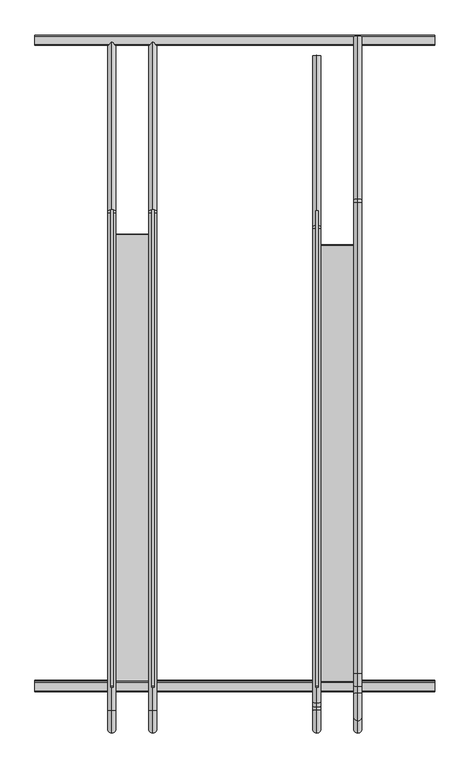
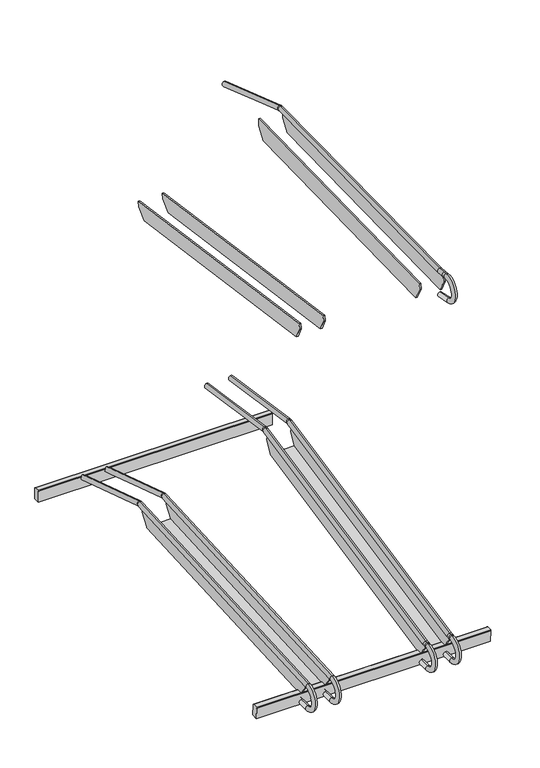
"""IFC4 building model written with IfcOpenShell, lengths in millimetres: proxy geometry."""

from ifc_helpers import new_model, si_unit, point, frame, frame_2d, origin, place, context, project, spatial, polyline, circle_curve, ellipse_curve, trimmed, segment, composite_curve, outline, extrude, faceted_brep, source, transform, mapped, element, save
from ifc_brep_helpers import plane_surface, cylinder_surface, revolved_surface, advanced_brep


def parking_aa778e47(model_context):
    return source(origin(), model_context, "Body", "SolidModel", [
        faceted_brep([(-437.085582, 221.7803069, 120.6228524), (-437.085582, 220.8092216, 136.8031355), (-437.085582, -715.6649161, 86.2652952), (-437.085582, -715.6649161, 69.7625833), (-437.085582, -689.6030024, 36.404855), (-437.085582, 196.7109185, 84.235745), (-442.2050429, 221.7803069, 120.6228524), (-442.2050429, 196.7109185, 84.235745), (-442.2050429, 196.8321504, 81.9892981), (-442.2050429, -689.3392948, 34.166097), (-442.2050429, -689.4605268, 36.4125439), (-442.2050429, -715.6649161, 69.7625833), (-442.2050429, -715.6649161, 86.2652952), (-442.2050429, 220.8092216, 136.8031355), (-362.2050429, 221.7803069, 120.6228524), (-362.2050429, 196.7109185, 84.235745), (-362.2050429, -689.6030024, 36.404855), (-362.2050429, -715.6649161, 69.7625833), (-362.2050429, -715.6649161, 86.2652952), (-362.2050429, 220.8092216, 136.8031355), (-357.085582, 221.7803069, 120.6228524), (-357.085582, 220.8092216, 136.8031355), (-357.085582, -715.6649161, 86.2652952), (-357.085582, -715.6649161, 69.7625833), (-357.085582, -689.6030024, 36.404855), (-357.085582, -689.3392948, 34.166097), (-357.085582, 196.8321504, 81.9892981), (-357.085582, 196.7109185, 84.235745), (-400.0, 196.8321504, 81.9892981), (-400.0, 196.7109185, 84.235745)], [[[0, 1, 2, 3, 4, 5]], [[6, 7, 8, 9, 10, 11, 12, 13]], [[1, 0, 6, 13]], [[2, 1, 13, 12]], [[0, 5, 7, 6]], [[3, 2, 12, 11]], [[4, 3, 11, 10]], [[14, 15, 16, 17, 18, 19]], [[20, 21, 22, 23, 24, 25, 26, 27]], [[14, 19, 21, 20]], [[19, 18, 22, 21]], [[15, 14, 20, 27]], [[17, 16, 24, 23]], [[18, 17, 23, 22]], [[26, 25, 9, 8, 28]], [[29, 5, 4, 16, 15]], [[9, 25, 24, 16, 4, 10]], [[28, 8, 7, 5, 29]], [[26, 28, 29, 15, 27]]]),
        faceted_brep([(-37.4402695, 194.6285646, 254.5534893), (-37.4402695, 190.4667843, 274.1331264), (-37.4402695, -715.6649161, 87.2333263), (-37.4402695, -715.6649161, 69.7625833), (-37.4402695, -689.6341335, 36.4447009), (-37.4402695, -689.4527585, 36.4821115), (-37.4402695, 175.2582347, 214.8384274), (-42.5597305, 194.6285646, 254.5534893), (-42.5597305, 175.2582347, 214.8384274), (-42.5597305, 175.7126971, 212.6350926), (-42.5597305, -688.998296, 34.2787767), (-42.5597305, -689.4527585, 36.4821115), (-42.5597305, -689.6341335, 36.4447009), (-42.5597305, -715.6649161, 69.7625833), (-42.5597305, -715.6649161, 87.2333263), (-42.5597305, 190.4667843, 274.1331264), (37.4402695, 194.6285646, 254.5534893), (37.4402695, 175.2582347, 214.8384274), (37.4402695, -689.4527585, 36.4821115), (37.4402695, -689.6341335, 36.4447009), (37.4402695, -715.6649161, 69.7625833), (37.4402695, -715.6649161, 87.2333263), (37.4402695, 190.4667843, 274.1331264), (42.5597305, 194.6285646, 254.5534893), (42.5597305, 190.4667843, 274.1331264), (42.5597305, -715.6649161, 87.2333263), (42.5597305, -715.6649161, 69.7625833), (42.5597305, -689.6341335, 36.4447009), (42.5597305, -689.4527585, 36.4821115), (42.5597305, -688.998296, 34.2787767), (42.5597305, 175.7126971, 212.6350926), (42.5597305, 175.2582347, 214.8384274), (-0.3546876, 175.7126971, 212.6350926), (-0.3546876, 175.2582347, 214.8384274)], [[[0, 1, 2, 3, 4, 5, 6]], [[7, 8, 9, 10, 11, 12, 13, 14, 15]], [[1, 0, 7, 15]], [[2, 1, 15, 14]], [[3, 2, 14, 13]], [[4, 3, 13, 12]], [[4, 12, 11, 5]], [[0, 6, 8, 7]], [[16, 17, 18, 19, 20, 21, 22]], [[23, 24, 25, 26, 27, 28, 29, 30, 31]], [[16, 22, 24, 23]], [[22, 21, 25, 24]], [[21, 20, 26, 25]], [[20, 19, 27, 26]], [[27, 19, 18, 28]], [[17, 16, 23, 31]], [[30, 29, 10, 9, 32]], [[33, 6, 5, 18, 17]], [[10, 29, 28, 18, 5, 11]], [[32, 9, 8, 6, 33]], [[30, 32, 33, 17, 31]]]),
        extrude(outline(composite_curve([segment(polyline([(585.0629187, 0.0), (565.0629187, 0.0), (565.0629187, 38.0)]), True, "CONTINUOUS"), segment(trimmed(circle_curve(frame_2d((567.0629187, 38.0)), 2.0), [point((565.0629187, 38.0))], [point((567.0629187, 40.0))], False, "CARTESIAN"), True, "CONTINUOUS"), segment(polyline([(567.0629187, 40.0), (583.0629187, 40.0)]), True, "CONTINUOUS"), segment(trimmed(circle_curve(frame_2d((583.0629187, 38.0)), 2.0), [point((583.0629187, 40.0))], [point((585.0629187, 38.0))], False, "CARTESIAN"), True, "CONTINUOUS"), segment(polyline([(585.0629187, 38.0), (585.0629187, 0.0)]), True, "CONTINUOUS")], self_intersect=False)), frame((-590.0, 0.0, 0.0), z_axis=(1.0, 0.0, 0.0), x_axis=(0.0, 1.0, 0.0)), (0.0, 0.0, 1.0), 780.0),
        extrude(outline(composite_curve([segment(polyline([(-673.2034861, 1.3951295), (-693.1547671, 0.0), (-695.8055131, 37.9074339)]), True, "CONTINUOUS"), segment(trimmed(circle_curve(frame_2d((-693.810385, 38.0469469)), 2.0), [point((-695.8055131, 37.9074339))], [point((-693.949898, 40.042075))], False, "CARTESIAN"), True, "CONTINUOUS"), segment(polyline([(-693.949898, 40.042075), (-677.9888732, 41.1581785)]), True, "CONTINUOUS"), segment(trimmed(circle_curve(frame_2d((-677.8493602, 39.1630504)), 2.0), [point((-677.9888732, 41.1581785))], [point((-675.8542321, 39.3025634))], False, "CARTESIAN"), True, "CONTINUOUS"), segment(polyline([(-675.8542321, 39.3025634), (-673.2034861, 1.3951295)]), True, "CONTINUOUS")], self_intersect=False)), frame((-590.0, 0.0, 0.0), z_axis=(1.0, 0.0, 0.0), x_axis=(0.0, 1.0, 0.0)), (0.0, 0.0, 1.0), 780.0),
        advanced_brep(
        [(40.0000067, 545.1160698, 237.5190174), (40.0000067, 542.7546404, 221.6369419), (40.0000067, 213.7587528, 286.7869426), (40.0000067, 211.3973234, 270.9048671), (40.0000067, 209.9234726, 270.8642514), (40.0000067, 206.6909494, 286.5921713), (40.0000067, -717.4596061, 96.6536338), (40.0000067, -714.2270829, 80.9257139), (40.0000067, -678.7366907, 0.6872981), (40.0000067, -678.7366907, 16.7439687), (40.0000067, -729.4794847, 16.7439687), (40.0000067, -729.4794847, 0.6872981), (40.0000067, -731.1691463, 79.2548333), (40.0000067, -732.0365326, 95.2880586), (40.0000067, -724.2865985, 79.6271743), (40.0000067, -725.1539848, 95.6603996)],
        [
            (0, 1, circle_curve(frame((40.0000067, 543.9353551, 229.5779796), z_axis=(0.0, 0.9891263194603436, -0.14706843356354454), x_axis=(0.0, -0.14706843356354452, -0.9891263194603434)), 8.0283353)),
            (1, 0, circle_curve(frame((40.0000067, 543.9353551, 229.5779796), z_axis=(0.0, 0.9891263194603436, -0.14706843356354454), x_axis=(0.0, -0.14706843356354452, -0.9891263194603434)), 8.0283353)),
            (0, 2),
            (2, 3, circle_curve(frame((40.0000067, 212.5780381, 278.8459049), z_axis=(0.0, 0.9891263194603436, -0.14706843356354454), x_axis=(0.0, -0.14706843356354452, -0.9891263194603434)), 8.0283353)),
            (3, 1),
            (3, 2, circle_curve(frame((40.0000067, 212.5780381, 278.8459049), z_axis=(0.0, 0.9891263194603436, -0.14706843356354454), x_axis=(0.0, -0.14706843356354452, -0.9891263194603434)), 8.0283353)),
            (4, 5, circle_curve(frame((40.0000067, 208.307211, 278.7282114), z_axis=(0.0, -0.9795256001404008, -0.20131964302965505), x_axis=(0.0, 0.20131964302965505, -0.9795256001404008)), 8.0283353)),
            (5, 6),
            (6, 7, circle_curve(frame((40.0000067, -715.8433445, 88.7896739), z_axis=(0.0, 0.9795256001404008, 0.20131964302965505), x_axis=(0.0, 0.20131964302965505, -0.9795256001404008)), 8.0283353)),
            (7, 4),
            (5, 4, circle_curve(frame((40.0000067, 208.307211, 278.7282114), z_axis=(0.0, -0.9795256001404008, -0.20131964302965505), x_axis=(0.0, 0.20131964302965505, -0.9795256001404008)), 8.0283353)),
            (7, 6, circle_curve(frame((40.0000067, -715.8433445, 88.7896739), z_axis=(0.0, 0.9795256001404008, 0.20131964302965505), x_axis=(0.0, 0.20131964302965505, -0.9795256001404008)), 8.0283353)),
            (8, 9, circle_curve(frame((40.0000067, -678.7366907, 8.7156334), z_axis=(0.0, 1.0, 0.0), x_axis=(0.0, 0.0, 1.0)), 8.0283353)),
            (9, 8, circle_curve(frame((40.0000067, -678.7366907, 8.7156334), z_axis=(0.0, 1.0, 0.0), x_axis=(0.0, 0.0, 1.0)), 8.0283353)),
            (10, 11, circle_curve(frame((40.0000067, -729.4794847, 8.7156334), z_axis=(0.0, 1.0, 0.0), x_axis=(0.0, 0.0, 1.0)), 8.0283353)),
            (11, 8),
            (9, 10),
            (11, 10, circle_curve(frame((40.0000067, -729.4794847, 8.7156334), z_axis=(0.0, 1.0, 0.0), x_axis=(0.0, 0.0, 1.0)), 8.0283353)),
            (10, 12, circle_curve(frame((40.0000067, -729.4794847, 48.0222367), z_axis=(-1.0, 0.0, 0.0), x_axis=(0.0, -0.0540203076964374, 0.9985398371404028)), 31.278268)),
            (12, 13, circle_curve(frame((40.0000067, -731.6028395, 87.2714459), z_axis=(0.0, -0.9985398371404028, -0.05402030769643744), x_axis=(0.0, 0.05402030769643744, -0.9985398371404028)), 8.0283353)),
            (13, 11, circle_curve(frame((40.0000067, -729.4794847, 48.0222367), z_axis=(1.0, 0.0, 0.0), x_axis=(0.0, -0.0540203076964374, 0.9985398371404028)), 47.3349386)),
            (13, 12, circle_curve(frame((40.0000067, -731.6028395, 87.2714459), z_axis=(0.0, -0.9985398371404028, -0.05402030769643744), x_axis=(0.0, 0.05402030769643744, -0.9985398371404028)), 8.0283353)),
            (4, 3, circle_curve(frame((40.0000067, 210.7751525, 266.7203823), z_axis=(-1.0, 0.0, 0.0), x_axis=(0.0, 0.14706843356353932, 0.9891263194603441)), 4.2304857)),
            (2, 5, circle_curve(frame((40.0000067, 210.7751525, 266.7203823), z_axis=(1.0, 0.0, 0.0), x_axis=(0.0, 0.14706843356353932, 0.9891263194603441)), 20.2871563)),
            (14, 7, circle_curve(frame((40.0000067, -727.9758082, 147.82047), z_axis=(1.0, 0.0, 0.0), x_axis=(0.0, 0.2013196430296586, -0.9795256001404)), 68.2930146)),
            (6, 15, circle_curve(frame((40.0000067, -727.9758082, 147.82047), z_axis=(-1.0, 0.0, 0.0), x_axis=(0.0, 0.2013196430296586, -0.9795256001404)), 52.236344)),
            (15, 14, circle_curve(frame((40.0000067, -724.7202917, 87.643787), z_axis=(0.0, 0.9985398371404027, 0.05402030769643995), x_axis=(0.0, 0.05402030769643995, -0.9985398371404027)), 8.0283353)),
            (14, 15, circle_curve(frame((40.0000067, -724.7202917, 87.643787), z_axis=(0.0, 0.9985398371404026, 0.054020307696442255), x_axis=(0.0, 0.054020307696442255, -0.9985398371404026)), 8.0283353)),
            (15, 13),
            (12, 14),
        ],
        [
            plane_surface(frame((480.0000067, 543.9353551, 229.5779796), z_axis=(0.0, 0.9891263194603435, -0.1470684335635446), x_axis=(1.0, 0.0, 0.0))),
            cylinder_surface(frame((40.0000067, 543.9353551, 229.5779796), z_axis=(0.0, 0.9891263194603434, -0.14706843356354452), x_axis=(0.0, -0.14706843356354452, -0.9891263194603434)), 8.0283353),
            cylinder_surface(frame((40.0000067, 208.307211, 278.7282114), z_axis=(0.0, 0.9795256001404008, 0.20131964302965505), x_axis=(0.0, 0.20131964302965505, -0.9795256001404008)), 8.0283353),
            plane_surface(frame((480.0000067, -678.7366907, 8.7156334), z_axis=(0.0, 1.0, 0.0), x_axis=(1.0, 0.0, 0.0))),
            cylinder_surface(frame((40.0000067, -729.4794847, 8.7156334), z_axis=(0.0, -1.0, 0.0), x_axis=(0.0, 0.0, 1.0)), 8.0283353),
            revolved_surface(trimmed(ellipse_curve(frame((40.0000067, -731.6028395, 87.2714459), z_axis=(0.0, 0.9985398371404028, 0.05402030769643744), x_axis=(0.0, 0.05402030769643744, -0.9985398371404028)), 8.0283353, 8.0283353), [point((40.0000067, -732.0365326, 95.2880586))], [point((40.0000067, -731.1691463, 79.2548333))], True, "CARTESIAN"), (480.0000067, -729.4794847, 48.0222367), (1.0, 0.0, 0.0)),
            revolved_surface(trimmed(ellipse_curve(frame((40.0000067, -731.6028395, 87.2714459), z_axis=(0.0, 0.9985398371404028, 0.05402030769643744), x_axis=(0.0, 0.05402030769643744, -0.9985398371404028)), 8.0283353, 8.0283353), [point((40.0000067, -731.1691463, 79.2548333))], [point((40.0000067, -732.0365326, 95.2880586))], True, "CARTESIAN"), (480.0000067, -729.4794847, 48.0222367), (1.0, 0.0, 0.0)),
            revolved_surface(trimmed(ellipse_curve(frame((40.0000067, 212.5780381, 278.8459049), z_axis=(0.0, 0.9891263194603441, -0.14706843356353924), x_axis=(0.0, -0.14706843356353924, -0.9891263194603441)), 8.0283353, 8.0283353), [point((40.0000067, 213.7587528, 286.7869426))], [point((40.0000067, 211.3973234, 270.9048671))], True, "CARTESIAN"), (480.0000067, 210.7751525, 266.7203823), (1.0, 0.0, 0.0)),
            revolved_surface(trimmed(ellipse_curve(frame((40.0000067, 212.5780381, 278.8459049), z_axis=(0.0, 0.9891263194603441, -0.14706843356353924), x_axis=(0.0, -0.14706843356353924, -0.9891263194603441)), 8.0283353, 8.0283353), [point((40.0000067, 211.3973234, 270.9048671))], [point((40.0000067, 213.7587528, 286.7869426))], True, "CARTESIAN"), (480.0000067, 210.7751525, 266.7203823), (1.0, 0.0, 0.0)),
            revolved_surface(trimmed(ellipse_curve(frame((40.0000067, -715.8433445, 88.7896739), z_axis=(0.0, 0.9795256001404, 0.20131964302965866), x_axis=(0.0, 0.20131964302965866, -0.9795256001404)), 8.0283353, 8.0283353), [point((40.0000067, -717.4596061, 96.6536338))], [point((40.0000067, -714.2270829, 80.9257139))], True, "CARTESIAN"), (480.0000067, -727.9758082, 147.82047), (-1.0, 0.0, 0.0)),
            revolved_surface(trimmed(ellipse_curve(frame((40.0000067, -715.8433445, 88.7896739), z_axis=(0.0, 0.9795256001404, 0.20131964302965866), x_axis=(0.0, 0.20131964302965866, -0.9795256001404)), 8.0283353, 8.0283353), [point((40.0000067, -714.2270829, 80.9257139))], [point((40.0000067, -717.4596061, 96.6536338))], True, "CARTESIAN"), (480.0000067, -727.9758082, 147.82047), (-1.0, 0.0, 0.0)),
            cylinder_surface(frame((40.0000067, -724.7202917, 87.643787), z_axis=(0.0, 0.9985398371404028, 0.05402030769644006), x_axis=(0.0, 0.05402030769644006, -0.9985398371404028)), 8.0283353),
        ],
        [
            (0, [[1, 2]]),
            (1, [[-1, 3, 4, 5]]),
            (1, [[-2, -5, 6, -3]]),
            (2, [[7, 8, 9, 10]]),
            (2, [[11, -10, 12, -8]]),
            (3, [[13, 14]]),
            (4, [[15, 16, -14, 17]]),
            (4, [[18, -17, -13, -16]]),
            (5, [[19, 20, 21, -15]]),
            (6, [[-21, 22, -19, -18]]),
            (7, [[23, -4, 24, -7]]),
            (8, [[-24, -6, -23, -11]]),
            (9, [[25, -9, 26, 27]]),
            (10, [[-26, -12, -25, 28]]),
            (11, [[-27, 29, -20, 30]]),
            (11, [[-28, -30, -22, -29]]),
        ],
    ),
        advanced_brep(
        [(-39.9999933, 545.1160698, 237.5190174), (-39.9999933, 542.7546404, 221.6369419), (-39.9999933, 213.7587528, 286.7869426), (-39.9999933, 211.3973234, 270.9048671), (-39.9999933, 209.9234726, 270.8642514), (-39.9999933, 206.6909494, 286.5921713), (-39.9999933, -717.4596061, 96.6536338), (-39.9999933, -714.2270829, 80.9257139), (-39.9999933, -678.7366907, 0.6872981), (-39.9999933, -678.7366907, 16.7439687), (-39.9999933, -729.4794847, 16.7439687), (-39.9999933, -729.4794847, 0.6872981), (-39.9999933, -731.1691463, 79.2548333), (-39.9999933, -732.0365326, 95.2880586), (-39.9999933, -724.2865985, 79.6271743), (-39.9999933, -725.1539848, 95.6603996)],
        [
            (0, 1, circle_curve(frame((-39.9999933, 543.9353551, 229.5779796), z_axis=(0.0, 0.9891263194603436, -0.14706843356354454), x_axis=(0.0, -0.14706843356354452, -0.9891263194603434)), 8.0283353)),
            (1, 0, circle_curve(frame((-39.9999933, 543.9353551, 229.5779796), z_axis=(0.0, 0.9891263194603436, -0.14706843356354454), x_axis=(0.0, -0.14706843356354452, -0.9891263194603434)), 8.0283353)),
            (0, 2),
            (2, 3, circle_curve(frame((-39.9999933, 212.5780381, 278.8459049), z_axis=(0.0, 0.9891263194603436, -0.14706843356354454), x_axis=(0.0, -0.14706843356354452, -0.9891263194603434)), 8.0283353)),
            (3, 1),
            (3, 2, circle_curve(frame((-39.9999933, 212.5780381, 278.8459049), z_axis=(0.0, 0.9891263194603436, -0.14706843356354454), x_axis=(0.0, -0.14706843356354452, -0.9891263194603434)), 8.0283353)),
            (4, 5, circle_curve(frame((-39.9999933, 208.307211, 278.7282114), z_axis=(0.0, -0.9795256001404008, -0.20131964302965505), x_axis=(0.0, 0.20131964302965505, -0.9795256001404008)), 8.0283353)),
            (5, 6),
            (6, 7, circle_curve(frame((-39.9999933, -715.8433445, 88.7896739), z_axis=(0.0, 0.9795256001404008, 0.20131964302965505), x_axis=(0.0, 0.20131964302965505, -0.9795256001404008)), 8.0283353)),
            (7, 4),
            (5, 4, circle_curve(frame((-39.9999933, 208.307211, 278.7282114), z_axis=(0.0, -0.9795256001404008, -0.20131964302965505), x_axis=(0.0, 0.20131964302965505, -0.9795256001404008)), 8.0283353)),
            (7, 6, circle_curve(frame((-39.9999933, -715.8433445, 88.7896739), z_axis=(0.0, 0.9795256001404008, 0.20131964302965505), x_axis=(0.0, 0.20131964302965505, -0.9795256001404008)), 8.0283353)),
            (8, 9, circle_curve(frame((-39.9999933, -678.7366907, 8.7156334), z_axis=(0.0, 1.0, 0.0), x_axis=(0.0, 0.0, 1.0)), 8.0283353)),
            (9, 8, circle_curve(frame((-39.9999933, -678.7366907, 8.7156334), z_axis=(0.0, 1.0, 0.0), x_axis=(0.0, 0.0, 1.0)), 8.0283353)),
            (10, 11, circle_curve(frame((-39.9999933, -729.4794847, 8.7156334), z_axis=(0.0, 1.0, 0.0), x_axis=(0.0, 0.0, 1.0)), 8.0283353)),
            (11, 8),
            (9, 10),
            (11, 10, circle_curve(frame((-39.9999933, -729.4794847, 8.7156334), z_axis=(0.0, 1.0, 0.0), x_axis=(0.0, 0.0, 1.0)), 8.0283353)),
            (10, 12, circle_curve(frame((-39.9999933, -729.4794847, 48.0222367), z_axis=(-1.0, 0.0, 0.0), x_axis=(0.0, -0.05402030769644095, 0.9985398371404026)), 31.278268)),
            (12, 13, circle_curve(frame((-39.9999933, -731.6028395, 87.2714459), z_axis=(0.0, -0.9985398371404026, -0.05402030769644099), x_axis=(0.0, 0.05402030769644099, -0.9985398371404026)), 8.0283353)),
            (13, 11, circle_curve(frame((-39.9999933, -729.4794847, 48.0222367), z_axis=(1.0, 0.0, 0.0), x_axis=(0.0, -0.05402030769644095, 0.9985398371404026)), 47.3349386)),
            (13, 12, circle_curve(frame((-39.9999933, -731.6028395, 87.2714459), z_axis=(0.0, -0.9985398371404026, -0.05402030769644099), x_axis=(0.0, 0.05402030769644099, -0.9985398371404026)), 8.0283353)),
            (4, 3, circle_curve(frame((-39.9999933, 210.7751525, 266.7203823), z_axis=(-1.0, 0.0, 0.0), x_axis=(0.0, 0.14706843356353932, 0.9891263194603441)), 4.2304857)),
            (2, 5, circle_curve(frame((-39.9999933, 210.7751525, 266.7203823), z_axis=(1.0, 0.0, 0.0), x_axis=(0.0, 0.14706843356353932, 0.9891263194603441)), 20.2871563)),
            (14, 7, circle_curve(frame((-39.9999933, -727.9758082, 147.82047), z_axis=(1.0, 0.0, 0.0), x_axis=(0.0, 0.2013196430296586, -0.9795256001404)), 68.2930146)),
            (6, 15, circle_curve(frame((-39.9999933, -727.9758082, 147.82047), z_axis=(-1.0, 0.0, 0.0), x_axis=(0.0, 0.2013196430296586, -0.9795256001404)), 52.236344)),
            (15, 14, circle_curve(frame((-39.9999933, -724.7202917, 87.643787), z_axis=(0.0, 0.9985398371404027, 0.054020307696440395), x_axis=(0.0, 0.054020307696440395, -0.9985398371404027)), 8.0283353)),
            (14, 15, circle_curve(frame((-39.9999933, -724.7202917, 87.643787), z_axis=(0.0, 0.9985398371404026, 0.054020307696442615), x_axis=(0.0, 0.054020307696442615, -0.9985398371404026)), 8.0283353)),
            (15, 13),
            (12, 14),
        ],
        [
            plane_surface(frame((0.0, 543.9353551, 229.5779796), z_axis=(0.0, 0.9891263194603435, -0.1470684335635446), x_axis=(1.0, 0.0, 0.0))),
            cylinder_surface(frame((-39.9999933, 543.9353551, 229.5779796), z_axis=(0.0, 0.9891263194603434, -0.14706843356354452), x_axis=(0.0, -0.14706843356354452, -0.9891263194603434)), 8.0283353),
            cylinder_surface(frame((-39.9999933, 208.307211, 278.7282114), z_axis=(0.0, 0.9795256001404008, 0.20131964302965505), x_axis=(0.0, 0.20131964302965505, -0.9795256001404008)), 8.0283353),
            plane_surface(frame((0.0, -678.7366907, 8.7156334), z_axis=(0.0, 1.0, 0.0), x_axis=(1.0, 0.0, 0.0))),
            cylinder_surface(frame((-39.9999933, -729.4794847, 8.7156334), z_axis=(0.0, -1.0, 0.0), x_axis=(0.0, 0.0, 1.0)), 8.0283353),
            revolved_surface(trimmed(ellipse_curve(frame((-39.9999933, -731.6028395, 87.2714459), z_axis=(0.0, 0.9985398371404026, 0.05402030769644099), x_axis=(0.0, 0.05402030769644099, -0.9985398371404026)), 8.0283353, 8.0283353), [point((-39.9999933, -732.0365326, 95.2880586))], [point((-39.9999933, -731.1691463, 79.2548333))], True, "CARTESIAN"), (0.0, -729.4794847, 48.0222367), (1.0, 0.0, 0.0)),
            revolved_surface(trimmed(ellipse_curve(frame((-39.9999933, -731.6028395, 87.2714459), z_axis=(0.0, 0.9985398371404026, 0.05402030769644099), x_axis=(0.0, 0.05402030769644099, -0.9985398371404026)), 8.0283353, 8.0283353), [point((-39.9999933, -731.1691463, 79.2548333))], [point((-39.9999933, -732.0365326, 95.2880586))], True, "CARTESIAN"), (0.0, -729.4794847, 48.0222367), (1.0, 0.0, 0.0)),
            revolved_surface(trimmed(ellipse_curve(frame((-39.9999933, 212.5780381, 278.8459049), z_axis=(0.0, 0.9891263194603441, -0.14706843356353924), x_axis=(0.0, -0.14706843356353924, -0.9891263194603441)), 8.0283353, 8.0283353), [point((-39.9999933, 213.7587528, 286.7869426))], [point((-39.9999933, 211.3973234, 270.9048671))], True, "CARTESIAN"), (0.0, 210.7751525, 266.7203823), (1.0, 0.0, 0.0)),
            revolved_surface(trimmed(ellipse_curve(frame((-39.9999933, 212.5780381, 278.8459049), z_axis=(0.0, 0.9891263194603441, -0.14706843356353924), x_axis=(0.0, -0.14706843356353924, -0.9891263194603441)), 8.0283353, 8.0283353), [point((-39.9999933, 211.3973234, 270.9048671))], [point((-39.9999933, 213.7587528, 286.7869426))], True, "CARTESIAN"), (0.0, 210.7751525, 266.7203823), (1.0, 0.0, 0.0)),
            revolved_surface(trimmed(ellipse_curve(frame((-39.9999933, -715.8433445, 88.7896739), z_axis=(0.0, 0.9795256001404, 0.20131964302965866), x_axis=(0.0, 0.20131964302965866, -0.9795256001404)), 8.0283353, 8.0283353), [point((-39.9999933, -717.4596061, 96.6536338))], [point((-39.9999933, -714.2270829, 80.9257139))], True, "CARTESIAN"), (0.0, -727.9758082, 147.82047), (-1.0, 0.0, 0.0)),
            revolved_surface(trimmed(ellipse_curve(frame((-39.9999933, -715.8433445, 88.7896739), z_axis=(0.0, 0.9795256001404, 0.20131964302965866), x_axis=(0.0, 0.20131964302965866, -0.9795256001404)), 8.0283353, 8.0283353), [point((-39.9999933, -714.2270829, 80.9257139))], [point((-39.9999933, -717.4596061, 96.6536338))], True, "CARTESIAN"), (0.0, -727.9758082, 147.82047), (-1.0, 0.0, 0.0)),
            cylinder_surface(frame((-39.9999933, -724.7202917, 87.643787), z_axis=(0.0, 0.9985398371404028, 0.05402030769644006), x_axis=(0.0, 0.05402030769644006, -0.9985398371404028)), 8.0283353),
        ],
        [
            (0, [[1, 2]]),
            (1, [[-1, 3, 4, 5]]),
            (1, [[-2, -5, 6, -3]]),
            (2, [[7, 8, 9, 10]]),
            (2, [[11, -10, 12, -8]]),
            (3, [[13, 14]]),
            (4, [[15, 16, -14, 17]]),
            (4, [[18, -17, -13, -16]]),
            (5, [[19, 20, 21, -15]]),
            (6, [[-21, 22, -19, -18]]),
            (7, [[23, -4, 24, -7]]),
            (8, [[-24, -6, -23, -11]]),
            (9, [[25, -9, 26, 27]]),
            (10, [[-26, -12, -25, 28]]),
            (11, [[-27, 29, -20, 30]]),
            (11, [[-28, -30, -22, -29]]),
        ],
    ),
        advanced_brep(
        [(-360.0, 575.1849932, 39.3147549), (-360.0, 570.2232092, 24.0439537), (-360.0, 244.335793, 146.8141765), (-360.0, 239.3740089, 131.5433753), (-360.0, 238.1994719, 131.6969984), (-360.0, 237.3320857, 147.7302237), (-360.0, -732.0365326, 95.2880586), (-360.0, -731.1691463, 79.2548333), (-360.0, -678.7366907, 0.6872981), (-360.0, -678.7366907, 16.7439687), (-360.0, -729.4794847, 16.7439687), (-360.0, -729.4794847, 0.6872981)],
        [
            (0, 1, circle_curve(frame((-360.0, 572.7041012, 31.6793543), z_axis=(0.0, 0.9510565162951528, -0.3090169943749501), x_axis=(0.0, -0.3090169943749501, -0.9510565162951528)), 8.0283353)),
            (1, 0, circle_curve(frame((-360.0, 572.7041012, 31.6793543), z_axis=(0.0, 0.9510565162951528, -0.3090169943749501), x_axis=(0.0, -0.3090169943749501, -0.9510565162951528)), 8.0283353)),
            (0, 2),
            (2, 3, circle_curve(frame((-360.0, 241.854901, 139.1787759), z_axis=(0.0, 0.9510565162951528, -0.3090169943749501), x_axis=(0.0, -0.3090169943749501, -0.9510565162951528)), 8.0283353)),
            (3, 1),
            (3, 2, circle_curve(frame((-360.0, 241.854901, 139.1787759), z_axis=(0.0, 0.9510565162951528, -0.3090169943749501), x_axis=(0.0, -0.3090169943749501, -0.9510565162951528)), 8.0283353)),
            (4, 5, circle_curve(frame((-360.0, 237.7657788, 139.7136111), z_axis=(0.0, -0.9985398371404031, -0.054020307696434455), x_axis=(0.0, 0.054020307696434455, -0.9985398371404031)), 8.0283353)),
            (5, 6),
            (6, 7, circle_curve(frame((-360.0, -731.6028395, 87.2714459), z_axis=(0.0, 0.9985398371404031, 0.054020307696434455), x_axis=(0.0, 0.054020307696434455, -0.9985398371404031)), 8.0283353)),
            (7, 4),
            (5, 4, circle_curve(frame((-360.0, 237.7657788, 139.7136111), z_axis=(0.0, -0.9985398371404031, -0.054020307696434455), x_axis=(0.0, 0.054020307696434455, -0.9985398371404031)), 8.0283353)),
            (7, 6, circle_curve(frame((-360.0, -731.6028395, 87.2714459), z_axis=(0.0, 0.9985398371404031, 0.054020307696434455), x_axis=(0.0, 0.054020307696434455, -0.9985398371404031)), 8.0283353)),
            (8, 9, circle_curve(frame((-360.0, -678.7366907, 8.7156334), z_axis=(0.0, 1.0, 0.0), x_axis=(0.0, 0.0, 1.0)), 8.0283353)),
            (9, 8, circle_curve(frame((-360.0, -678.7366907, 8.7156334), z_axis=(0.0, 1.0, 0.0), x_axis=(0.0, 0.0, 1.0)), 8.0283353)),
            (10, 11, circle_curve(frame((-360.0, -729.4794847, 8.7156334), z_axis=(0.0, 1.0, 0.0), x_axis=(0.0, 0.0, 1.0)), 8.0283353)),
            (11, 8),
            (9, 10),
            (11, 10, circle_curve(frame((-360.0, -729.4794847, 8.7156334), z_axis=(0.0, 1.0, 0.0), x_axis=(0.0, 0.0, 1.0)), 8.0283353)),
            (10, 7, circle_curve(frame((-360.0, -729.4794847, 48.0222367), z_axis=(-1.0, 0.0, 0.0), x_axis=(0.0, -0.054020307696434074, 0.9985398371404031)), 31.278268)),
            (6, 11, circle_curve(frame((-360.0, -729.4794847, 48.0222367), z_axis=(1.0, 0.0, 0.0), x_axis=(0.0, -0.054020307696434074, 0.9985398371404031)), 47.3349386)),
            (4, 3, circle_curve(frame((-360.0, 238.3742442, 128.4664159), z_axis=(-1.0, 0.0, 0.0), x_axis=(0.0, 0.3090169943749422, 0.9510565162951553)), 3.2353066)),
            (2, 5, circle_curve(frame((-360.0, 238.3742442, 128.4664159), z_axis=(1.0, 0.0, 0.0), x_axis=(0.0, 0.3090169943749422, 0.9510565162951553)), 19.2919772)),
        ],
        [
            plane_surface(frame((80.0, 572.7041012, 31.6793543), z_axis=(0.0, 0.9510565162951528, -0.30901699437495006), x_axis=(1.0, 0.0, 0.0))),
            cylinder_surface(frame((-360.0, 572.7041012, 31.6793543), z_axis=(0.0, 0.9510565162951528, -0.3090169943749501), x_axis=(0.0, -0.3090169943749501, -0.9510565162951528)), 8.0283353),
            cylinder_surface(frame((-360.0, 237.7657788, 139.7136111), z_axis=(0.0, 0.9985398371404031, 0.054020307696434455), x_axis=(0.0, 0.054020307696434455, -0.9985398371404031)), 8.0283353),
            plane_surface(frame((80.0, -678.7366907, 8.7156334), z_axis=(0.0, 1.0, 0.0), x_axis=(1.0, 0.0, 0.0))),
            cylinder_surface(frame((-360.0, -729.4794847, 8.7156334), z_axis=(0.0, -1.0, 0.0), x_axis=(0.0, 0.0, 1.0)), 8.0283353),
            revolved_surface(trimmed(ellipse_curve(frame((-360.0, -731.6028395, 87.2714459), z_axis=(0.0, 0.9985398371404031, 0.05402030769643412), x_axis=(0.0, 0.05402030769643412, -0.9985398371404031)), 8.0283353, 8.0283353), [point((-360.0, -732.0365326, 95.2880586))], [point((-360.0, -731.1691463, 79.2548333))], True, "CARTESIAN"), (80.0, -729.4794847, 48.0222367), (1.0, 0.0, 0.0)),
            revolved_surface(trimmed(ellipse_curve(frame((-360.0, -731.6028395, 87.2714459), z_axis=(0.0, 0.9985398371404031, 0.05402030769643412), x_axis=(0.0, 0.05402030769643412, -0.9985398371404031)), 8.0283353, 8.0283353), [point((-360.0, -731.1691463, 79.2548333))], [point((-360.0, -732.0365326, 95.2880586))], True, "CARTESIAN"), (80.0, -729.4794847, 48.0222367), (1.0, 0.0, 0.0)),
            revolved_surface(trimmed(ellipse_curve(frame((-360.0, 241.854901, 139.1787759), z_axis=(0.0, 0.9510565162951553, -0.3090169943749421), x_axis=(0.0, -0.3090169943749421, -0.9510565162951553)), 8.0283353, 8.0283353), [point((-360.0, 244.335793, 146.8141765))], [point((-360.0, 239.3740089, 131.5433753))], True, "CARTESIAN"), (80.0, 238.3742442, 128.4664159), (1.0, 0.0, 0.0)),
            revolved_surface(trimmed(ellipse_curve(frame((-360.0, 241.854901, 139.1787759), z_axis=(0.0, 0.9510565162951553, -0.3090169943749421), x_axis=(0.0, -0.3090169943749421, -0.9510565162951553)), 8.0283353, 8.0283353), [point((-360.0, 239.3740089, 131.5433753))], [point((-360.0, 244.335793, 146.8141765))], True, "CARTESIAN"), (80.0, 238.3742442, 128.4664159), (1.0, 0.0, 0.0)),
        ],
        [
            (0, [[1, 2]]),
            (1, [[-1, 3, 4, 5]]),
            (1, [[-2, -5, 6, -3]]),
            (2, [[7, 8, 9, 10]]),
            (2, [[11, -10, 12, -8]]),
            (3, [[13, 14]]),
            (4, [[15, 16, -14, 17]]),
            (4, [[18, -17, -13, -16]]),
            (5, [[19, -9, 20, -15]]),
            (6, [[-20, -12, -19, -18]]),
            (7, [[21, -4, 22, -7]]),
            (8, [[-22, -6, -21, -11]]),
        ],
    ),
        advanced_brep(
        [(-440.0, 575.1849932, 39.3147549), (-440.0, 570.2232092, 24.0439537), (-440.0, 244.335793, 146.8141765), (-440.0, 239.3740089, 131.5433753), (-440.0, 238.1994719, 131.6969984), (-440.0, 237.3320857, 147.7302237), (-440.0, -732.0365326, 95.2880586), (-440.0, -731.1691463, 79.2548333), (-440.0, -678.7366907, 0.6872981), (-440.0, -678.7366907, 16.7439687), (-440.0, -729.4794847, 16.7439687), (-440.0, -729.4794847, 0.6872981)],
        [
            (0, 1, circle_curve(frame((-440.0, 572.7041012, 31.6793543), z_axis=(0.0, 0.9510565162951528, -0.3090169943749501), x_axis=(0.0, -0.3090169943749501, -0.9510565162951528)), 8.0283353)),
            (1, 0, circle_curve(frame((-440.0, 572.7041012, 31.6793543), z_axis=(0.0, 0.9510565162951528, -0.3090169943749501), x_axis=(0.0, -0.3090169943749501, -0.9510565162951528)), 8.0283353)),
            (0, 2),
            (2, 3, circle_curve(frame((-440.0, 241.854901, 139.1787759), z_axis=(0.0, 0.9510565162951528, -0.3090169943749501), x_axis=(0.0, -0.3090169943749501, -0.9510565162951528)), 8.0283353)),
            (3, 1),
            (3, 2, circle_curve(frame((-440.0, 241.854901, 139.1787759), z_axis=(0.0, 0.9510565162951528, -0.3090169943749501), x_axis=(0.0, -0.3090169943749501, -0.9510565162951528)), 8.0283353)),
            (4, 5, circle_curve(frame((-440.0, 237.7657788, 139.7136111), z_axis=(0.0, -0.9985398371404031, -0.054020307696434455), x_axis=(0.0, 0.054020307696434455, -0.9985398371404031)), 8.0283353)),
            (5, 6),
            (6, 7, circle_curve(frame((-440.0, -731.6028395, 87.2714459), z_axis=(0.0, 0.9985398371404031, 0.054020307696434455), x_axis=(0.0, 0.054020307696434455, -0.9985398371404031)), 8.0283353)),
            (7, 4),
            (5, 4, circle_curve(frame((-440.0, 237.7657788, 139.7136111), z_axis=(0.0, -0.9985398371404031, -0.054020307696434455), x_axis=(0.0, 0.054020307696434455, -0.9985398371404031)), 8.0283353)),
            (7, 6, circle_curve(frame((-440.0, -731.6028395, 87.2714459), z_axis=(0.0, 0.9985398371404031, 0.054020307696434455), x_axis=(0.0, 0.054020307696434455, -0.9985398371404031)), 8.0283353)),
            (8, 9, circle_curve(frame((-440.0, -678.7366907, 8.7156334), z_axis=(0.0, 1.0, 0.0), x_axis=(0.0, 0.0, 1.0)), 8.0283353)),
            (9, 8, circle_curve(frame((-440.0, -678.7366907, 8.7156334), z_axis=(0.0, 1.0, 0.0), x_axis=(0.0, 0.0, 1.0)), 8.0283353)),
            (10, 11, circle_curve(frame((-440.0, -729.4794847, 8.7156334), z_axis=(0.0, 1.0, 0.0), x_axis=(0.0, 0.0, 1.0)), 8.0283353)),
            (11, 8),
            (9, 10),
            (11, 10, circle_curve(frame((-440.0, -729.4794847, 8.7156334), z_axis=(0.0, 1.0, 0.0), x_axis=(0.0, 0.0, 1.0)), 8.0283353)),
            (10, 7, circle_curve(frame((-440.0, -729.4794847, 48.0222367), z_axis=(-1.0, 0.0, 0.0), x_axis=(0.0, -0.054020307696434074, 0.9985398371404031)), 31.278268)),
            (6, 11, circle_curve(frame((-440.0, -729.4794847, 48.0222367), z_axis=(1.0, 0.0, 0.0), x_axis=(0.0, -0.054020307696434074, 0.9985398371404031)), 47.3349386)),
            (4, 3, circle_curve(frame((-440.0, 238.3742442, 128.4664159), z_axis=(-1.0, 0.0, 0.0), x_axis=(0.0, 0.3090169943749422, 0.9510565162951553)), 3.2353066)),
            (2, 5, circle_curve(frame((-440.0, 238.3742442, 128.4664159), z_axis=(1.0, 0.0, 0.0), x_axis=(0.0, 0.3090169943749422, 0.9510565162951553)), 19.2919772)),
        ],
        [
            plane_surface(frame((0.0, 572.7041012, 31.6793543), z_axis=(0.0, 0.9510565162951528, -0.30901699437495006), x_axis=(1.0, 0.0, 0.0))),
            cylinder_surface(frame((-440.0, 572.7041012, 31.6793543), z_axis=(0.0, 0.9510565162951528, -0.3090169943749501), x_axis=(0.0, -0.3090169943749501, -0.9510565162951528)), 8.0283353),
            cylinder_surface(frame((-440.0, 237.7657788, 139.7136111), z_axis=(0.0, 0.9985398371404031, 0.054020307696434455), x_axis=(0.0, 0.054020307696434455, -0.9985398371404031)), 8.0283353),
            plane_surface(frame((0.0, -678.7366907, 8.7156334), z_axis=(0.0, 1.0, 0.0), x_axis=(1.0, 0.0, 0.0))),
            cylinder_surface(frame((-440.0, -729.4794847, 8.7156334), z_axis=(0.0, -1.0, 0.0), x_axis=(0.0, 0.0, 1.0)), 8.0283353),
            revolved_surface(trimmed(ellipse_curve(frame((-440.0, -731.6028395, 87.2714459), z_axis=(0.0, 0.9985398371404031, 0.05402030769643412), x_axis=(0.0, 0.05402030769643412, -0.9985398371404031)), 8.0283353, 8.0283353), [point((-440.0, -732.0365326, 95.2880586))], [point((-440.0, -731.1691463, 79.2548333))], True, "CARTESIAN"), (0.0, -729.4794847, 48.0222367), (1.0, 0.0, 0.0)),
            revolved_surface(trimmed(ellipse_curve(frame((-440.0, -731.6028395, 87.2714459), z_axis=(0.0, 0.9985398371404031, 0.05402030769643412), x_axis=(0.0, 0.05402030769643412, -0.9985398371404031)), 8.0283353, 8.0283353), [point((-440.0, -731.1691463, 79.2548333))], [point((-440.0, -732.0365326, 95.2880586))], True, "CARTESIAN"), (0.0, -729.4794847, 48.0222367), (1.0, 0.0, 0.0)),
            revolved_surface(trimmed(ellipse_curve(frame((-440.0, 241.854901, 139.1787759), z_axis=(0.0, 0.9510565162951553, -0.3090169943749421), x_axis=(0.0, -0.3090169943749421, -0.9510565162951553)), 8.0283353, 8.0283353), [point((-440.0, 244.335793, 146.8141765))], [point((-440.0, 239.3740089, 131.5433753))], True, "CARTESIAN"), (0.0, 238.3742442, 128.4664159), (1.0, 0.0, 0.0)),
            revolved_surface(trimmed(ellipse_curve(frame((-440.0, 241.854901, 139.1787759), z_axis=(0.0, 0.9510565162951553, -0.3090169943749421), x_axis=(0.0, -0.3090169943749421, -0.9510565162951553)), 8.0283353, 8.0283353), [point((-440.0, 239.3740089, 131.5433753))], [point((-440.0, 244.335793, 146.8141765))], True, "CARTESIAN"), (0.0, 238.3742442, 128.4664159), (1.0, 0.0, 0.0)),
        ],
        [
            (0, [[1, 2]]),
            (1, [[-1, 3, 4, 5]]),
            (1, [[-2, -5, 6, -3]]),
            (2, [[7, 8, 9, 10]]),
            (2, [[11, -10, 12, -8]]),
            (3, [[13, 14]]),
            (4, [[15, 16, -14, 17]]),
            (4, [[18, -17, -13, -16]]),
            (5, [[19, -9, 20, -15]]),
            (6, [[-20, -12, -19, -18]]),
            (7, [[21, -4, 22, -7]]),
            (8, [[-22, -6, -21, -11]]),
        ],
    ),
        extrude(outline(polyline([(241.7585085, 1185.3302207), (210.1200553, 1154.4837607), (-668.6901198, 1279.1145622), (-687.802345, 1316.8860359), (-684.2913541, 1334.681794), (244.1573225, 1203.0113765), (241.7585085, 1185.3302207)])), frame((-442.2050429, 0.0, 0.0), z_axis=(1.0, 0.0, 0.0), x_axis=(0.0, 1.0, 0.0)), (0.0, 0.0, 1.0), 5.1194609),
        extrude(outline(polyline([(241.7585085, 1185.3302207), (210.1200553, 1154.4837607), (-668.6901198, 1279.1145622), (-687.802345, 1316.8860359), (-684.2913541, 1334.681794), (244.1573225, 1203.0113765), (241.7585085, 1185.3302207)])), frame((-362.2050429, 0.0, 0.0), z_axis=(1.0, 0.0, 0.0), x_axis=(0.0, 1.0, 0.0)), (0.0, 0.0, 1.0), 5.1194609),
        extrude(outline(polyline([(242.2875447, 1329.3943351), (216.0527861, 1293.8382771), (-665.8502002, 1274.8571038), (-687.802345, 1316.8860359), (-684.2913541, 1334.681794), (241.5926756, 1354.6095701), (242.2875447, 1329.3943351)])), frame((-42.5597305, 0.0, 0.0), z_axis=(1.0, 0.0, 0.0), x_axis=(0.0, 1.0, 0.0)), (0.0, 0.0, 1.0), 5.1194609),
        extrude(outline(polyline([(242.2875447, 1329.3943351), (216.0527861, 1293.8382771), (-666.5284749, 1274.8425053), (-687.802345, 1316.8860359), (-684.2913541, 1334.681794), (241.5926756, 1354.6095701), (242.2875447, 1329.3943351)])), frame((37.4402695, 0.0, 0.0), z_axis=(1.0, 0.0, 0.0), x_axis=(0.0, 1.0, 0.0)), (0.0, 0.0, 1.0), 5.1194609),
        advanced_brep(
        [(39.9999933, 577.696926, 1235.8839745), (39.9999933, 582.8922729, 1251.0769019), (39.9999933, -661.834922, 1263.9195976), (39.9999933, -664.9428908, 1248.1665916), (39.9999933, -711.6180658, 1273.7414982), (39.9999933, -714.7260346, 1257.9884921), (39.9999933, -701.1760152, 1335.3972094), (39.9999933, -698.9235668, 1351.295107), (39.9999933, 265.8512288, 1359.4917024), (39.9999933, 260.655882, 1344.298775), (39.9999933, 257.8336658, 1344.7473688), (39.9999933, 257.605212, 1360.8024141), (39.9999933, -660.0293715, 1347.7450176), (39.9999933, -659.8009177, 1331.6899723), (39.9999933, -687.3079211, 1333.4323479), (39.9999933, -685.0554727, 1349.3302455)],
        [
            (0, 1, circle_curve(frame((39.9999933, 580.2945995, 1243.4804382), z_axis=(0.0, 0.946206579348557, -0.3235631456107187), x_axis=(0.0, 0.3235631456107187, 0.946206579348557)), 8.0283353)),
            (1, 0, circle_curve(frame((39.9999933, 580.2945995, 1243.4804382), z_axis=(0.0, 0.946206579348557, -0.3235631456107187), x_axis=(0.0, 0.3235631456107187, 0.946206579348557)), 8.0283353)),
            (2, 3, circle_curve(frame((39.9999933, -663.3889064, 1256.0430946), z_axis=(0.0, 0.9810879524116618, -0.19356246958719292), x_axis=(0.0, -0.19356246958719292, -0.9810879524116618)), 8.0283353)),
            (3, 2, circle_curve(frame((39.9999933, -663.3889064, 1256.0430946), z_axis=(0.0, 0.9810879524116618, -0.19356246958719292), x_axis=(0.0, -0.19356246958719292, -0.9810879524116618)), 8.0283353)),
            (4, 5, circle_curve(frame((39.9999933, -713.1720502, 1265.8649951), z_axis=(0.0, 0.9810879524116618, -0.19356246958719292), x_axis=(0.0, -0.19356246958719292, -0.9810879524116618)), 8.0283353)),
            (5, 3),
            (2, 4),
            (5, 4, circle_curve(frame((39.9999933, -713.1720502, 1265.8649951), z_axis=(0.0, 0.9810879524116618, -0.19356246958719292), x_axis=(0.0, -0.19356246958719292, -0.9810879524116618)), 8.0283353)),
            (4, 6, circle_curve(frame((39.9999933, -705.563767, 1304.4282301), z_axis=(-1.0, 0.0, 0.0), x_axis=(0.0, 0.1402811637915332, 0.990111708387136)), 31.278268)),
            (6, 7, circle_curve(frame((39.9999933, -700.049791, 1343.3461582), z_axis=(0.0, -0.990111708387136, 0.14028116379153321), x_axis=(0.0, 0.14028116379153321, 0.990111708387136)), 8.0283353)),
            (7, 5, circle_curve(frame((39.9999933, -705.563767, 1304.4282301), z_axis=(1.0, 0.0, 0.0), x_axis=(0.0, 0.1402811637915332, 0.990111708387136)), 47.3349386)),
            (7, 6, circle_curve(frame((39.9999933, -700.049791, 1343.3461582), z_axis=(0.0, -0.990111708387136, 0.14028116379153321), x_axis=(0.0, 0.14028116379153321, 0.990111708387136)), 8.0283353)),
            (1, 8),
            (8, 9, circle_curve(frame((39.9999933, 263.2535554, 1351.8952387), z_axis=(0.0, 0.946206579348557, -0.3235631456107187), x_axis=(0.0, 0.3235631456107187, 0.946206579348557)), 8.0283353)),
            (9, 0),
            (9, 8, circle_curve(frame((39.9999933, 263.2535554, 1351.8952387), z_axis=(0.0, 0.946206579348557, -0.3235631456107187), x_axis=(0.0, 0.3235631456107187, 0.946206579348557)), 8.0283353)),
            (10, 11, circle_curve(frame((39.9999933, 257.7194389, 1352.7748914), z_axis=(0.0, -0.9998987773517048, -0.014227967197252667), x_axis=(0.0, -0.014227967197252667, 0.9998987773517048)), 8.0283353)),
            (11, 12),
            (12, 13, circle_curve(frame((39.9999933, -659.9151446, 1339.717495), z_axis=(0.0, 0.9998987773517048, 0.014227967197252667), x_axis=(0.0, -0.014227967197252667, 0.9998987773517048)), 8.0283353)),
            (13, 10),
            (11, 10, circle_curve(frame((39.9999933, 257.7194389, 1352.7748914), z_axis=(0.0, -0.9998987773517048, -0.014227967197252667), x_axis=(0.0, -0.014227967197252667, 0.9998987773517048)), 8.0283353)),
            (13, 12, circle_curve(frame((39.9999933, -659.9151446, 1339.717495), z_axis=(0.0, 0.9998987773517048, 0.014227967197252667), x_axis=(0.0, -0.014227967197252667, 0.9998987773517048)), 8.0283353)),
            (14, 13, circle_curve(frame((39.9999933, -662.3338991, 1509.7002871), z_axis=(1.0, 0.0, 0.0), x_axis=(0.0, 0.01422796719725175, -0.9998987773517047)), 178.0283353)),
            (12, 15, circle_curve(frame((39.9999933, -662.3338991, 1509.7002871), z_axis=(-1.0, 0.0, 0.0), x_axis=(0.0, 0.01422796719725175, -0.9998987773517047)), 161.9716647)),
            (15, 14, circle_curve(frame((39.9999933, -686.1816969, 1341.3812967), z_axis=(0.0, 0.990111708387136, -0.14028116379153288), x_axis=(0.0, 0.14028116379153288, 0.990111708387136)), 8.0283353)),
            (14, 15, circle_curve(frame((39.9999933, -686.1816969, 1341.3812967), z_axis=(0.0, 0.9901117083871359, -0.14028116379153352), x_axis=(0.0, 0.14028116379153352, 0.9901117083871359)), 8.0283353)),
            (15, 7),
            (6, 14),
            (10, 9, circle_curve(frame((39.9999933, 257.9525392, 1336.393299), z_axis=(-1.0, 0.0, 0.0), x_axis=(0.0, 0.32356314561072574, 0.9462065793485545)), 8.3549155)),
            (8, 11, circle_curve(frame((39.9999933, 257.9525392, 1336.393299), z_axis=(1.0, 0.0, 0.0), x_axis=(0.0, 0.32356314561072574, 0.9462065793485545)), 24.4115861)),
        ],
        [
            plane_surface(frame((-400.0000067, 580.2945995, 1243.4804382), z_axis=(0.0, 0.946206579348557, -0.3235631456107187), x_axis=(-1.0, 0.0, 0.0))),
            plane_surface(frame((-400.0000067, -663.3889064, 1256.0430946), z_axis=(0.0, 0.9810879524116618, -0.19356246958719292), x_axis=(-1.0, 0.0, 0.0))),
            cylinder_surface(frame((39.9999933, -713.1720502, 1265.8649951), z_axis=(0.0, -0.9810879524116618, 0.19356246958719292), x_axis=(0.0, -0.19356246958719292, -0.9810879524116618)), 8.0283353),
            revolved_surface(trimmed(ellipse_curve(frame((39.9999933, -700.049791, 1343.3461582), z_axis=(0.0, 0.990111708387136, -0.14028116379153321), x_axis=(0.0, 0.14028116379153321, 0.990111708387136)), 8.0283353, 8.0283353), [point((39.9999933, -698.9235668, 1351.295107))], [point((39.9999933, -701.1760152, 1335.3972094))], True, "CARTESIAN"), (-400.0000067, -705.563767, 1304.4282301), (1.0, 0.0, 0.0)),
            revolved_surface(trimmed(ellipse_curve(frame((39.9999933, -700.049791, 1343.3461582), z_axis=(0.0, 0.990111708387136, -0.14028116379153321), x_axis=(0.0, 0.14028116379153321, 0.990111708387136)), 8.0283353, 8.0283353), [point((39.9999933, -701.1760152, 1335.3972094))], [point((39.9999933, -698.9235668, 1351.295107))], True, "CARTESIAN"), (-400.0000067, -705.563767, 1304.4282301), (1.0, 0.0, 0.0)),
            cylinder_surface(frame((39.9999933, 580.2945995, 1243.4804382), z_axis=(0.0, 0.946206579348557, -0.3235631456107187), x_axis=(0.0, 0.3235631456107187, 0.946206579348557)), 8.0283353),
            cylinder_surface(frame((39.9999933, 257.7194389, 1352.7748914), z_axis=(0.0, 0.9998987773517048, 0.014227967197252667), x_axis=(0.0, -0.014227967197252667, 0.9998987773517048)), 8.0283353),
            revolved_surface(trimmed(ellipse_curve(frame((39.9999933, -659.9151446, 1339.717495), z_axis=(0.0, 0.9998987773517047, 0.01422796719725171), x_axis=(0.0, -0.01422796719725171, 0.9998987773517047)), 8.0283353, 8.0283353), [point((39.9999933, -660.0293715, 1347.7450176))], [point((39.9999933, -659.8009177, 1331.6899723))], True, "CARTESIAN"), (-400.0000067, -662.3338991, 1509.7002871), (-1.0, 0.0, 0.0)),
            revolved_surface(trimmed(ellipse_curve(frame((39.9999933, -659.9151446, 1339.717495), z_axis=(0.0, 0.9998987773517047, 0.01422796719725171), x_axis=(0.0, -0.01422796719725171, 0.9998987773517047)), 8.0283353, 8.0283353), [point((39.9999933, -659.8009177, 1331.6899723))], [point((39.9999933, -660.0293715, 1347.7450176))], True, "CARTESIAN"), (-400.0000067, -662.3338991, 1509.7002871), (-1.0, 0.0, 0.0)),
            cylinder_surface(frame((39.9999933, -686.1816969, 1341.3812967), z_axis=(0.0, 0.9901117083871361, -0.14028116379153316), x_axis=(0.0, 0.14028116379153316, 0.9901117083871361)), 8.0283353),
            revolved_surface(trimmed(ellipse_curve(frame((39.9999933, 263.2535554, 1351.8952387), z_axis=(0.0, 0.9462065793485545, -0.3235631456107257), x_axis=(0.0, 0.3235631456107257, 0.9462065793485545)), 8.0283353, 8.0283353), [point((39.9999933, 265.8512288, 1359.4917024))], [point((39.9999933, 260.655882, 1344.298775))], True, "CARTESIAN"), (-400.0000067, 257.9525392, 1336.393299), (1.0, 0.0, 0.0)),
            revolved_surface(trimmed(ellipse_curve(frame((39.9999933, 263.2535554, 1351.8952387), z_axis=(0.0, 0.9462065793485545, -0.3235631456107257), x_axis=(0.0, 0.3235631456107257, 0.9462065793485545)), 8.0283353, 8.0283353), [point((39.9999933, 260.655882, 1344.298775))], [point((39.9999933, 265.8512288, 1359.4917024))], True, "CARTESIAN"), (-400.0000067, 257.9525392, 1336.393299), (1.0, 0.0, 0.0)),
        ],
        [
            (0, [[1, 2]]),
            (1, [[3, 4]]),
            (2, [[5, 6, -3, 7]]),
            (2, [[8, -7, -4, -6]]),
            (3, [[9, 10, 11, -5]]),
            (4, [[-11, 12, -9, -8]]),
            (5, [[-2, 13, 14, 15]]),
            (5, [[-1, -15, 16, -13]]),
            (6, [[17, 18, 19, 20]]),
            (6, [[21, -20, 22, -18]]),
            (7, [[23, -19, 24, 25]]),
            (8, [[-24, -22, -23, 26]]),
            (9, [[-25, 27, -10, 28]]),
            (9, [[-26, -28, -12, -27]]),
            (10, [[29, -14, 30, -17]]),
            (11, [[-30, -16, -29, -21]]),
        ],
    ),
    ])


if __name__ == "__main__":
    model = new_model("IFC4")
    model_context = context("Model", 3, world=origin())
    ifc_project = project(units=[si_unit("LENGTHUNIT", "METRE", prefix="MILLI")], contexts=[model_context])
    site = spatial("IfcSite", under=ifc_project)
    building = spatial("IfcBuilding", under=site)
    placement = place(None, origin())
    parking_shape = parking_aa778e47(model_context)
    element("IfcBuildingElementProxy", 1, Name="Parking", at=placement, inside=building, context=model_context, shape_type="MappedRepresentation", body=[
        mapped(parking_shape, transform((0.0, 0.0, 0.0), x_axis=(1.0, 0.0, 0.0), y_axis=(0.0, 1.0, 0.0), z_axis=(0.0, 0.0, 1.0))),
    ])
    save(model, "model.ifc")
